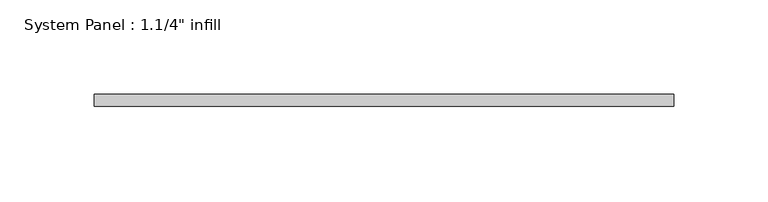
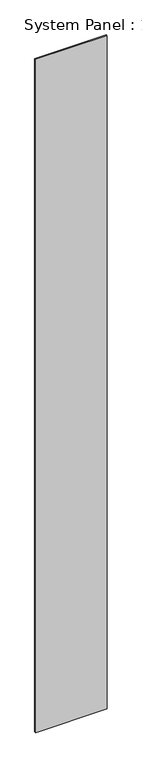
"""IFC4 building model written with IfcOpenShell, lengths in millimetres: plate geometry."""

from ifc_helpers import new_model, si_unit, origin, origin_with_axes, place, context, project, spatial, polyline, outline, extrude, source, transform, mapped, element, save


def plate_8e0a9218(model_context):
    return source(origin(), model_context, "Body", "SweptSolid", [
        extrude(outline(polyline([(153.410912, -6.2507813), (-153.410912, -6.2507813), (-153.410912, 0.0992187), (153.410912, 0.0992187), (153.410912, -6.2507813)])), origin_with_axes(), (0.0, 0.0, 1.0), 3048.0),
    ])


if __name__ == "__main__":
    model = new_model("IFC4")
    model_context = context("Model", 3, world=origin())
    ifc_project = project(units=[si_unit("LENGTHUNIT", "METRE", prefix="MILLI")], contexts=[model_context])
    site = spatial("IfcSite", under=ifc_project)
    building = spatial("IfcBuilding", under=site)
    placement = place(None, origin())
    plate_shape = plate_8e0a9218(model_context)
    element("IfcPlate", 1, ObjectType="System Panel : 1.1/4\" infill", at=placement, inside=building, context=model_context, shape_type="MappedRepresentation", body=[
        mapped(plate_shape, transform((0.0, 0.0, 0.0), x_axis=(1.0, 0.0, 0.0), y_axis=(0.0, 1.0, 0.0), z_axis=(0.0, 0.0, 1.0))),
    ])
    save(model, "model.ifc")
